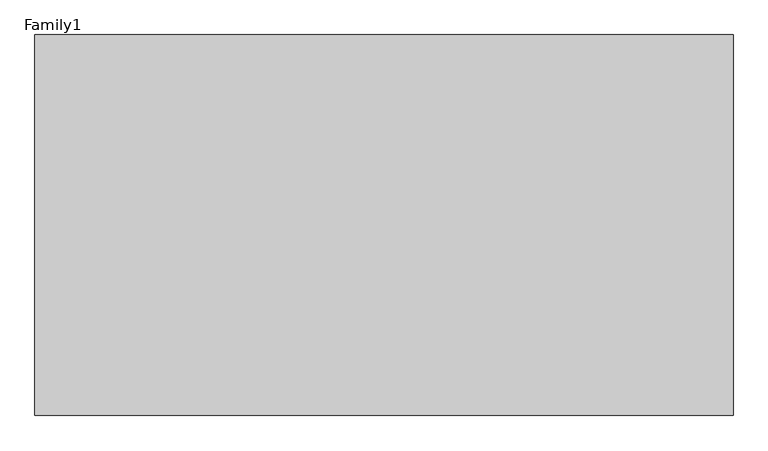
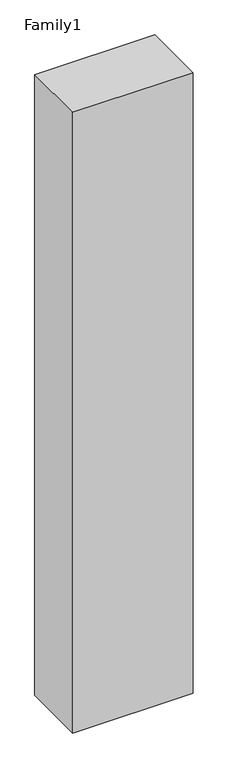
"""IFC4 building model written with IfcOpenShell, lengths in millimetres: proxy geometry, Family1."""

from ifc_helpers import new_model, si_unit, origin, origin_with_axes, place, context, project, spatial, polyline, outline, extrude, source, transform, mapped, element, save


def family1_dcfbde00(model_context):
    return source(origin(), model_context, "Body", "SweptSolid", [
        extrude(outline(polyline([(5500.0, 0.0), (0.0, 0.0), (0.0, 3000.0), (5500.0, 3000.0), (5500.0, 0.0)])), origin_with_axes(), (0.0, 0.0, 1.0), 30000.0),
    ])


if __name__ == "__main__":
    model = new_model("IFC4")
    model_context = context("Model", 3, world=origin())
    ifc_project = project(units=[si_unit("LENGTHUNIT", "METRE", prefix="MILLI")], contexts=[model_context])
    site = spatial("IfcSite", under=ifc_project)
    building = spatial("IfcBuilding", under=site)
    placement = place(None, origin())
    family1_shape = family1_dcfbde00(model_context)
    element("IfcBuildingElementProxy", 1, Name="Family1", ObjectType="Family1", at=placement, inside=building, context=model_context, shape_type="MappedRepresentation", body=[
        mapped(family1_shape, transform((0.0, 0.0, 0.0), x_axis=(1.0, 0.0, 0.0), y_axis=(0.0, 1.0, 0.0), z_axis=(0.0, 0.0, 1.0))),
    ])
    save(model, "model.ifc")
